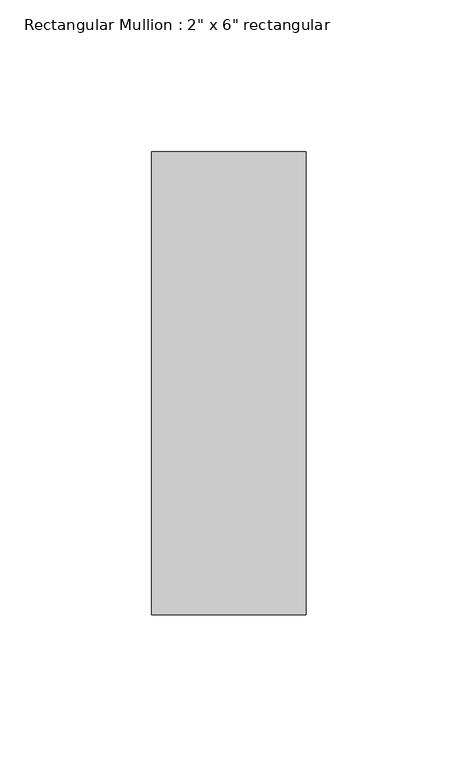
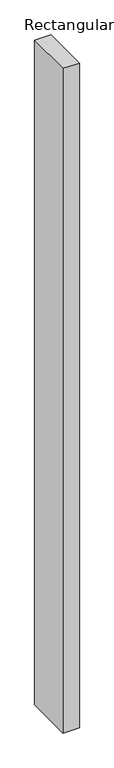
"""IFC4 building model written with IfcOpenShell, lengths in millimetres: member geometry."""

from ifc_helpers import new_model, si_unit, frame, origin, place, context, project, spatial, polyline, outline, extrude, source, transform, mapped, element, save


def member_4505f79c(model_context):
    return source(origin(), model_context, "Body", "SweptSolid", [
        extrude(outline(polyline([(25.4, 76.2), (25.4, -76.2), (-25.4, -76.2), (-25.4, 76.2), (25.4, 76.2)])), frame((0.0, 0.0, -2184.4), z_axis=(0.0, 0.0, 1.0), x_axis=(1.0, 0.0, 0.0)), (0.0, 0.0, 1.0), 2184.4),
    ])


if __name__ == "__main__":
    model = new_model("IFC4")
    model_context = context("Model", 3, world=origin())
    ifc_project = project(units=[si_unit("LENGTHUNIT", "METRE", prefix="MILLI")], contexts=[model_context])
    site = spatial("IfcSite", under=ifc_project)
    building = spatial("IfcBuilding", under=site)
    placement = place(None, origin())
    member_shape = member_4505f79c(model_context)
    element("IfcMember", 1, ObjectType="Rectangular Mullion : 2\" x 6\" rectangular", at=placement, inside=building, context=model_context, shape_type="MappedRepresentation", body=[
        mapped(member_shape, transform((0.0, 0.0, 0.0), x_axis=(1.0, 0.0, 0.0), y_axis=(0.0, 1.0, 0.0), z_axis=(0.0, 0.0, 1.0))),
    ])
    save(model, "model.ifc")
